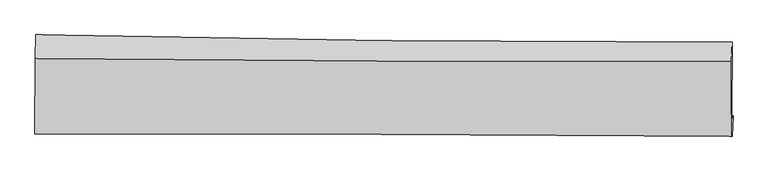
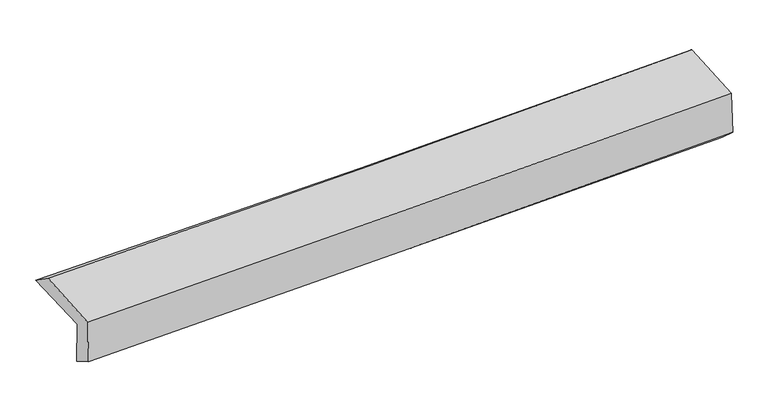
"""IFC4 building model written with IfcOpenShell, lengths in millimetres: proxy geometry."""

from ifc_helpers import new_model, si_unit, frame, origin, place, context, project, spatial, source, transform, mapped, element, save
from ifc_brep_helpers import plane_surface, spline_curve, spline_surface, advanced_brep


def generic_models_1193169d(model_context):
    return source(origin(), model_context, "Body", "AdvancedBrep", [
        advanced_brep(
        [(-3025.5369229, -1767.1077252, 1937.678878), (-3021.534235, -1086.7414094, 1962.7229601), (3009.3903061, -1152.2737447, 2115.3021827), (3005.9307111, -1816.4468019, 2097.770575), (-3014.3643373, -1741.131369, 1552.2672445), (3017.5376233, -1792.9540029, 1696.5271565), (-3019.0745159, -1938.2623889, 1669.4937881), (3012.0671075, -1967.0398656, 1851.6243954), (-3030.4970275, -1946.1179437, 2068.07298), (3000.7909685, -1966.9038761, 2246.2239658), (-3027.2136348, -1294.5989302, 2111.3243091), (3003.566022, -1319.4999352, 2284.2097363)],
        [
            (0, 1),
            (1, 2, spline_curve(3, [(-3021.534235, -1086.7414094, 1962.7229601), (-2016.581708902, -1109.982959455, 1993.942846044), (-1011.504801683, -1127.064729277, 2022.268185229), (998.803401711, -1148.907684729, 2073.12738264), (2004.034675252, -1153.67002638, 2095.661784378), (3009.3903061, -1152.2737447, 2115.3021827)], [4, 2, 4], [0.0, 9.898105033392705, 19.79528079845836])),
            (2, 3),
            (3, 0, spline_curve(3, [(3005.9307111, -1816.4468019, 2097.770575), (2000.443703821, -1815.247258259, 2079.373010566), (995.101485712, -1810.536254867, 2056.83407477), (-1015.387752783, -1794.090555307, 2003.470953156), (-2020.534745927, -1782.35520006, 1972.645990527), (-3025.5369229, -1767.1077252, 1937.678878)], [4, 2, 4], [0.0, 9.897175765065656, 19.79528079845836])),
            (4, 0),
            (3, 5),
            (5, 4, spline_curve(3, [(3017.5376233, -1792.9540029, 1696.5271565), (2012.217622057, -1791.976796485, 1672.220096896), (1006.92271992, -1787.170022911, 1648.045465958), (-1003.711271386, -1769.896530803, 1599.958803865), (-2009.05035657, -1757.429093121, 1576.046797374), (-3014.3643373, -1741.131369, 1552.2672445)], [4, 2, 4], [0.0, 9.897628766750968, 19.796186844362342])),
            (6, 4),
            (5, 7),
            (7, 6, spline_curve(3, [(3012.0671075, -1967.0398656, 1851.6243954), (2007.149113675, -1961.037756548, 1813.452562709), (1002.118580726, -1955.638663154, 1779.189624837), (-1008.261939494, -1946.046057931, 1718.478688153), (-2013.611947584, -1941.852658991, 1692.031423589), (-3019.0745159, -1938.2623889, 1669.4937881)], [4, 2, 4], [0.0, 9.897644383163046, 19.796218078652757])),
            (8, 6),
            (7, 9),
            (9, 8, spline_curve(3, [(3000.7909685, -1966.9038761, 2246.2239658), (1995.906575715, -1959.570096596, 2207.337397418), (990.880647345, -1954.171036227, 2173.048679103), (-1019.548658003, -1947.242028498, 2113.664153554), (-2024.952061632, -1945.712445, 2088.569210257), (-3030.4970275, -1946.1179437, 2068.07298)], [4, 2, 4], [0.0, 9.897869874350299, 19.796669082199145])),
            (10, 8),
            (9, 11),
            (11, 10, spline_curve(3, [(3003.566022, -1319.4999352, 2284.2097363), (1998.781165202, -1319.508073812, 2244.061309584), (993.847364948, -1317.437254451, 2209.58038787), (-1016.412492651, -1309.137309717, 2151.950847573), (-2021.738577984, -1302.907794266, 2128.803294013), (-3027.2136348, -1294.5989302, 2111.3243091)], [4, 2, 4], [0.0, 9.897375531337868, 19.795680349759294])),
            (1, 10),
            (11, 2),
        ],
        [
            spline_surface(3, 3, [[(-3025.5369229, -1767.1077252, 1937.678878), (-2020.534745947, -1782.355199997, 1972.645990475), (-1015.387752787, -1794.090555358, 2003.47095331), (995.101485716, -1810.536254816, 2056.834074615), (2000.443703931, -1815.247258382, 2079.373010726), (3005.9307111, -1816.4468019, 2097.770575)], [(-3024.202693608, -1540.31895324, 1946.026905369), (-2019.217066905, -1558.231119738, 1979.744942335), (-1014.09343581, -1571.748613376, 2009.736697297), (996.335457765, -1589.993398087, 2062.265177305), (2001.640694397, -1594.721514335, 2084.802601911), (3007.083909446, -1595.055782819, 2103.614444231)], [(-3022.868464292, -1313.53018136, 1954.374932731), (-2017.899387839, -1334.107039559, 1986.843894189), (-1012.799118823, -1349.406671376, 2016.002441241), (997.569429824, -1369.45054134, 2067.696279952), (2002.837684824, -1374.195770331, 2090.232193102), (3008.237107754, -1373.664763781, 2109.458313469)], [(-3021.534235, -1086.7414094, 1962.7229601), (-2016.581708797, -1109.982959299, 1993.942846049), (-1011.504801847, -1127.064729394, 2022.268185228), (998.803401874, -1148.907684612, 2073.127382642), (2004.03467529, -1153.670026285, 2095.661784286), (3009.3903061, -1152.2737447, 2115.3021827)]], [4, 4], [4, 2, 4], [0.0, 2.1803475248913387], [0.0, 9.898105033392705, 19.79528079845836]),
            spline_surface(3, 3, [[(-3014.3643373, -1741.131369, 1552.2672445), (-2009.050356515, -1757.429093064, 1576.046797403), (-1003.711271523, -1769.896530777, 1599.958803809), (1006.922720057, -1787.170022937, 1648.045466014), (2012.217621932, -1791.976796469, 1672.220096936), (3017.5376233, -1792.9540029, 1696.5271565)], [(-3018.088532481, -1749.790154431, 1680.737788984), (-2012.878486307, -1765.737795406, 1708.246528411), (-1007.603431943, -1777.961205611, 1734.462853645), (1002.982308612, -1794.958766871, 1784.30833555), (2008.292982597, -1799.733617096, 1807.937734873), (3013.668652565, -1800.78493589, 1830.274962674)], [(-3021.812727719, -1758.448939769, 1809.208333516), (-2016.706616155, -1774.046497655, 1840.446259467), (-1011.495592368, -1786.025880524, 1868.966903474), (999.041897161, -1802.747510883, 1920.571205079), (2004.368343266, -1807.490437754, 1943.655372789), (3009.799681835, -1808.61586891, 1964.022768826)], [(-3025.5369229, -1767.1077252, 1937.678878), (-2020.534745947, -1782.355199997, 1972.645990475), (-1015.387752787, -1794.090555358, 2003.47095331), (995.101485716, -1810.536254816, 2056.834074615), (2000.443703931, -1815.247258382, 2079.373010726), (3005.9307111, -1816.4468019, 2097.770575)]], [4, 4], [4, 2, 4], [0.0, 1.3353520606796736], [0.0, 9.898558077611375, 19.796186844362342]),
            spline_surface(3, 3, [[(-3019.0745159, -1938.2623889, 1669.4937881), (-2013.611947451, -1941.852658916, 1692.031423742), (-1008.261939373, -1946.0460578, 1718.478688246), (1002.118580605, -1955.638663285, 1779.189624744), (2007.149113704, -1961.037756616, 1813.452562673), (3012.0671075, -1967.0398656, 1851.6243954)], [(-3017.504456387, -1872.552048931, 1630.418273561), (-2012.09141716, -1880.378136964, 1653.369881624), (-1006.745050067, -1887.329548792, 1678.972060093), (1003.719960445, -1899.482449836, 1735.474905161), (2008.838616447, -1904.68410325, 1766.375074091), (3013.890612768, -1909.011244716, 1799.925315763)], [(-3015.934396813, -1806.841708969, 1591.342759039), (-2010.570886806, -1818.903615016, 1614.708339522), (-1005.228160829, -1828.613039785, 1639.465431961), (1005.321340217, -1843.326236387, 1691.760185598), (2010.528119188, -1848.330449835, 1719.297585518), (3015.714118032, -1850.982623784, 1748.226236137)], [(-3014.3643373, -1741.131369, 1552.2672445), (-2009.050356515, -1757.429093064, 1576.046797403), (-1003.711271523, -1769.896530777, 1599.958803809), (1006.922720057, -1787.170022937, 1648.045466014), (2012.217621932, -1791.976796469, 1672.220096936), (3017.5376233, -1792.9540029, 1696.5271565)]], [4, 4], [4, 2, 4], [0.0, 0.6982511298198455], [0.0, 9.898573695489711, 19.796218078652757]),
            spline_surface(3, 3, [[(-3030.4970275, -1946.1179437, 2068.07298), (-2024.952061657, -1945.712444882, 2088.569210221), (-1019.54865803, -1947.242028638, 2113.664153649), (990.880647372, -1954.171036087, 2173.048679008), (1995.906575782, -1959.570096488, 2207.337397553), (3000.7909685, -1966.9038761, 2246.2239658)], [(-3026.689523632, -1943.499425422, 1935.213249368), (-2021.172023586, -1944.425849549, 1956.389948062), (-1015.786418502, -1946.843371701, 1981.935665178), (994.626625092, -1954.660245161, 2041.762327584), (1999.654088421, -1960.059316541, 2076.042452614), (3004.549681498, -1966.949205944, 2114.690775688)], [(-3022.882019768, -1940.880907178, 1802.353518732), (-2017.391985521, -1943.139254249, 1824.210685901), (-1012.024178901, -1946.444714738, 1850.207176716), (998.372602885, -1955.149454211, 1910.475976169), (2003.401601065, -1960.548536563, 1944.747507611), (3008.308394502, -1966.994535756, 1983.157585512)], [(-3019.0745159, -1938.2623889, 1669.4937881), (-2013.611947451, -1941.852658916, 1692.031423742), (-1008.261939373, -1946.0460578, 1718.478688246), (1002.118580605, -1955.638663285, 1779.189624744), (2007.149113704, -1961.037756616, 1813.452562673), (3012.0671075, -1967.0398656, 1851.6243954)]], [4, 4], [4, 2, 4], [0.0, 1.2948919426266934], [0.0, 9.898799207848846, 19.796669082199145]),
            spline_surface(3, 3, [[(-3027.2136348, -1294.5989302, 2111.3243091), (-2021.738577951, -1302.907794224, 2128.803293902), (-1016.412492659, -1309.137309792, 2151.950847689), (993.847364956, -1317.437254376, 2209.580387754), (1998.781165293, -1319.508073812, 2244.061309677), (3003.566022, -1319.4999352, 2284.2097363)], [(-3028.308099044, -1511.771934695, 2096.907199409), (-2022.809739197, -1517.176011105, 2115.391932684), (-1017.457881094, -1521.838882742, 2139.188616347), (992.858459117, -1529.681848281, 2197.40315151), (1997.822968775, -1532.862081356, 2231.820005613), (3002.641004152, -1535.301248819, 2271.547812778)], [(-3029.402563256, -1728.944939205, 2082.490089691), (-2023.880900411, -1731.444228001, 2101.980571439), (-1018.503269595, -1734.540455688, 2126.426384991), (991.869553211, -1741.926442182, 2185.225915252), (1996.8647723, -1746.216088944, 2219.578701617), (3001.715986348, -1751.102562481, 2258.885889322)], [(-3030.4970275, -1946.1179437, 2068.07298), (-2024.952061657, -1945.712444882, 2088.569210221), (-1019.54865803, -1947.242028638, 2113.664153649), (990.880647372, -1954.171036087, 2173.048679008), (1995.906575782, -1959.570096488, 2207.337397553), (3000.7909685, -1966.9038761, 2246.2239658)]], [4, 4], [4, 2, 4], [0.0, 2.0948930862829065], [0.0, 9.898304818421426, 19.795680349759294]),
            spline_surface(3, 3, [[(-3021.534235, -1086.7414094, 1962.7229601), (-2016.581708797, -1109.982959299, 1993.942846049), (-1011.504801847, -1127.064729394, 2022.268185228), (998.803401874, -1148.907684612, 2073.127382642), (2004.03467529, -1153.670026285, 2095.661784286), (3009.3903061, -1152.2737447, 2115.3021827)], [(-3023.427368248, -1156.027249681, 2012.256743109), (-2018.300665164, -1174.291237622, 2038.896328676), (-1013.140698803, -1187.755589537, 2065.49573937), (997.151389549, -1205.084207877, 2118.611717668), (2002.283505294, -1208.949375473, 2145.128292749), (3007.44887807, -1208.015808212, 2171.604700566)], [(-3025.320501552, -1225.313089919, 2061.790526091), (-2020.019621585, -1238.599515902, 2083.849811275), (-1014.776595702, -1248.446449649, 2108.723293547), (995.499377281, -1261.26073111, 2164.096052728), (2000.532335288, -1264.228724624, 2194.594801214), (3005.50745003, -1263.757871688, 2227.907218434)], [(-3027.2136348, -1294.5989302, 2111.3243091), (-2021.738577951, -1302.907794224, 2128.803293902), (-1016.412492659, -1309.137309792, 2151.950847689), (993.847364956, -1317.437254376, 2209.580387754), (1998.781165293, -1319.508073812, 2244.061309677), (3003.566022, -1319.4999352, 2284.2097363)]], [4, 4], [4, 2, 4], [0.0, 0.7222467570861141], [0.0, 9.897565628406433, 19.794202039127022]),
            plane_surface(frame((3008.2137897, -1669.1863711, 2048.6096686), z_axis=(0.9995741350541609, -0.005960690966320813, 0.028566040921529416), x_axis=(0.02856449414024691, -0.00034448601190556786, -0.9995918922259722))),
            plane_surface(frame((-3023.0367789, -1628.9932944, 1883.59336), z_axis=(-0.9995695088651141, 0.006930017278859886, -0.028509153050720944), x_axis=(-0.0058790532098214445, -0.9993059404776962, -0.03678415500379622))),
        ],
        [
            (0, [[1, 2, 3, 4]]),
            (1, [[5, -4, 6, 7]]),
            (2, [[8, -7, 9, 10]]),
            (3, [[11, -10, 12, 13]]),
            (4, [[14, -13, 15, 16]]),
            (5, [[17, -16, 18, -2]]),
            (6, [[-12, -9, -6, -3, -18, -15]]),
            (7, [[-1, -5, -8, -11, -14, -17]]),
        ],
    ),
    ])


if __name__ == "__main__":
    model = new_model("IFC4")
    model_context = context("Model", 3, world=origin())
    ifc_project = project(units=[si_unit("LENGTHUNIT", "METRE", prefix="MILLI")], contexts=[model_context])
    site = spatial("IfcSite", under=ifc_project)
    building = spatial("IfcBuilding", under=site)
    placement = place(None, origin())
    generic_models_shape = generic_models_1193169d(model_context)
    element("IfcBuildingElementProxy", 1, Name="Generic Models", at=placement, inside=building, context=model_context, shape_type="MappedRepresentation", body=[
        mapped(generic_models_shape, transform((0.0, 0.0, 0.0), x_axis=(1.0, 0.0, 0.0), y_axis=(0.0, 1.0, 0.0), z_axis=(0.0, 0.0, 1.0))),
    ])
    save(model, "model.ifc")
